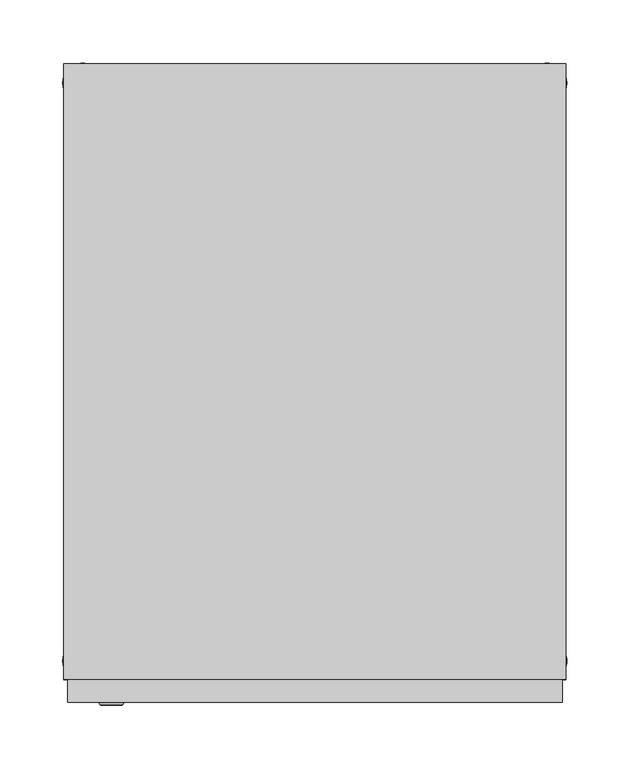
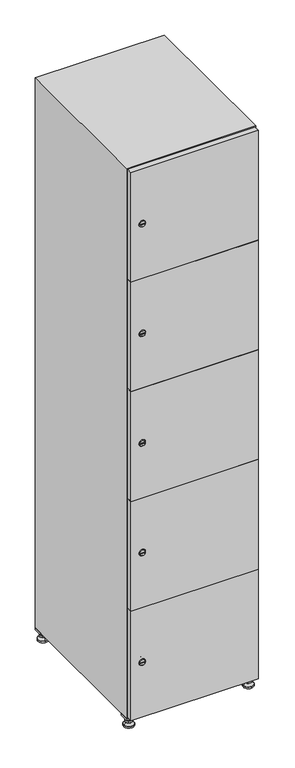
"""IFC4 building model written with IfcOpenShell, lengths in millimetres: furniture geometry."""

from ifc_helpers import new_model, si_unit, point, frame, frame_2d, origin, origin_with_axes, place, context, project, spatial, polyline, circle_curve, trimmed, segment, composite_curve, outline, extrude, faceted_brep, source, transform, mapped, element, save
from ifc_brep_helpers import plane_surface, revolved_surface, advanced_brep


def furniture_38e76239(model_context):
    return source(origin(), model_context, "Body", "SolidModel", [
        extrude(outline(polyline([(200.0, 245.0), (200.0, 215.0), (170.0, 215.0), (170.0, 245.0), (200.0, 245.0)]), holes=[polyline([(198.0, 243.0), (172.0, 243.0), (172.0, 217.0), (198.0, 217.0), (198.0, 243.0)])]), frame((0.0, 0.0, 28.5), z_axis=(0.0, 0.0, 1.0), x_axis=(1.0, 0.0, 0.0)), (0.0, 0.0, 1.0), 6.5),
        extrude(outline(polyline([(170.0, -245.0), (170.0, -215.0), (200.0, -215.0), (200.0, -245.0), (170.0, -245.0)]), holes=[polyline([(172.0, -243.0), (198.0, -243.0), (198.0, -217.0), (172.0, -217.0), (172.0, -243.0)])]), frame((0.0, 0.0, 28.5), z_axis=(0.0, 0.0, 1.0), x_axis=(1.0, 0.0, 0.0)), (0.0, 0.0, 1.0), 6.5),
        extrude(outline(polyline([(-170.0, 245.0), (-170.0, 215.0), (-200.0, 215.0), (-200.0, 245.0), (-170.0, 245.0)]), holes=[polyline([(-172.0, 243.0), (-198.0, 243.0), (-198.0, 217.0), (-172.0, 217.0), (-172.0, 243.0)])]), frame((0.0, 0.0, 28.5), z_axis=(0.0, 0.0, 1.0), x_axis=(1.0, 0.0, 0.0)), (0.0, 0.0, 1.0), 6.5),
        extrude(outline(polyline([(-170.0, -215.0), (-170.0, -245.0), (-200.0, -245.0), (-200.0, -215.0), (-170.0, -215.0)]), holes=[polyline([(-198.0, -243.0), (-172.0, -243.0), (-172.0, -217.0), (-198.0, -217.0), (-198.0, -243.0)])]), frame((0.0, 0.0, 28.5), z_axis=(0.0, 0.0, 1.0), x_axis=(1.0, 0.0, 0.0)), (0.0, 0.0, 1.0), 6.5),
        extrude(outline(composite_curve([segment(trimmed(circle_curve(frame_2d((-185.0, 230.0)), 5.0), [point((-180.0, 230.0))], [point((-190.0, 230.0))], False, "CARTESIAN"), True, "CONTINUOUS"), segment(trimmed(circle_curve(frame_2d((-185.0, 230.0)), 5.0), [point((-190.0, 230.0))], [point((-180.0, 230.0))], False, "CARTESIAN"), True, "CONTINUOUS")], self_intersect=False)), frame((0.0, 0.0, 19.6), z_axis=(0.0, 0.0, 1.0), x_axis=(1.0, 0.0, 0.0)), (0.0, 0.0, 1.0), 15.4),
        extrude(outline(composite_curve([segment(trimmed(circle_curve(frame_2d((-185.0, -230.0)), 5.0), [point((-180.0, -230.0))], [point((-190.0, -230.0))], False, "CARTESIAN"), True, "CONTINUOUS"), segment(trimmed(circle_curve(frame_2d((-185.0, -230.0)), 5.0), [point((-190.0, -230.0))], [point((-180.0, -230.0))], False, "CARTESIAN"), True, "CONTINUOUS")], self_intersect=False)), frame((0.0, 0.0, 19.6), z_axis=(0.0, 0.0, 1.0), x_axis=(1.0, 0.0, 0.0)), (0.0, 0.0, 1.0), 15.4),
        extrude(outline(composite_curve([segment(trimmed(circle_curve(frame_2d((185.0, 230.0)), 5.0), [point((190.0, 230.0))], [point((180.0, 230.0))], False, "CARTESIAN"), True, "CONTINUOUS"), segment(trimmed(circle_curve(frame_2d((185.0, 230.0)), 5.0), [point((180.0, 230.0))], [point((190.0, 230.0))], False, "CARTESIAN"), True, "CONTINUOUS")], self_intersect=False)), frame((0.0, 0.0, 19.6), z_axis=(0.0, 0.0, 1.0), x_axis=(1.0, 0.0, 0.0)), (0.0, 0.0, 1.0), 15.4),
        extrude(outline(polyline([(173.4529946, 230.0), (179.2264973, 240.0), (190.7735027, 240.0), (196.5470054, 230.0), (190.7735027, 220.0), (179.2264973, 220.0), (173.4529946, 230.0)])), frame((0.0, 0.0, 13.6), z_axis=(0.0, 0.0, 1.0), x_axis=(1.0, 0.0, 0.0)), (0.0, 0.0, 1.0), 6.0),
        extrude(outline(composite_curve([segment(trimmed(circle_curve(frame_2d((185.0, -230.0)), 5.0), [point((190.0, -230.0))], [point((180.0, -230.0))], False, "CARTESIAN"), True, "CONTINUOUS"), segment(trimmed(circle_curve(frame_2d((185.0, -230.0)), 5.0), [point((180.0, -230.0))], [point((190.0, -230.0))], False, "CARTESIAN"), True, "CONTINUOUS")], self_intersect=False)), frame((0.0, 0.0, 19.6), z_axis=(0.0, 0.0, 1.0), x_axis=(1.0, 0.0, 0.0)), (0.0, 0.0, 1.0), 15.4),
        extrude(outline(polyline([(173.4529946, -230.0), (179.2264973, -220.0), (190.7735027, -220.0), (196.5470054, -230.0), (190.7735027, -240.0), (179.2264973, -240.0), (173.4529946, -230.0)])), frame((0.0, 0.0, 13.6), z_axis=(0.0, 0.0, 1.0), x_axis=(1.0, 0.0, 0.0)), (0.0, 0.0, 1.0), 6.0),
        extrude(outline(composite_curve([segment(trimmed(circle_curve(frame_2d((185.0, 230.0)), 5.0), [point((190.0, 230.0))], [point((180.0, 230.0))], False, "CARTESIAN"), True, "CONTINUOUS"), segment(trimmed(circle_curve(frame_2d((185.0, 230.0)), 5.0), [point((180.0, 230.0))], [point((190.0, 230.0))], False, "CARTESIAN"), True, "CONTINUOUS")], self_intersect=False)), frame((0.0, 0.0, 12.1), z_axis=(0.0, 0.0, 1.0), x_axis=(1.0, 0.0, 0.0)), (0.0, 0.0, 1.0), 1.5),
        extrude(outline(composite_curve([segment(trimmed(circle_curve(frame_2d((185.0, -230.0)), 5.0), [point((190.0, -230.0))], [point((180.0, -230.0))], False, "CARTESIAN"), True, "CONTINUOUS"), segment(trimmed(circle_curve(frame_2d((185.0, -230.0)), 5.0), [point((180.0, -230.0))], [point((190.0, -230.0))], False, "CARTESIAN"), True, "CONTINUOUS")], self_intersect=False)), frame((0.0, 0.0, 12.1), z_axis=(0.0, 0.0, 1.0), x_axis=(1.0, 0.0, 0.0)), (0.0, 0.0, 1.0), 1.5),
        extrude(outline(polyline([(-196.5470054, 230.0), (-190.7735027, 240.0), (-179.2264973, 240.0), (-173.4529946, 230.0), (-179.2264973, 220.0), (-190.7735027, 220.0), (-196.5470054, 230.0)])), frame((0.0, 0.0, 13.6), z_axis=(0.0, 0.0, 1.0), x_axis=(1.0, 0.0, 0.0)), (0.0, 0.0, 1.0), 6.0),
        extrude(outline(polyline([(-196.5470054, -230.0), (-190.7735027, -220.0), (-179.2264973, -220.0), (-173.4529946, -230.0), (-179.2264973, -240.0), (-190.7735027, -240.0), (-196.5470054, -230.0)])), frame((0.0, 0.0, 13.6), z_axis=(0.0, 0.0, 1.0), x_axis=(1.0, 0.0, 0.0)), (0.0, 0.0, 1.0), 6.0),
        extrude(outline(composite_curve([segment(trimmed(circle_curve(frame_2d((-185.0, 230.0)), 5.0), [point((-185.0, 235.0))], [point((-185.0, 225.0))], False, "CARTESIAN"), True, "CONTINUOUS"), segment(trimmed(circle_curve(frame_2d((-185.0, 230.0)), 5.0), [point((-185.0, 225.0))], [point((-185.0, 235.0))], False, "CARTESIAN"), True, "CONTINUOUS")], self_intersect=False)), frame((0.0, 0.0, 12.1), z_axis=(0.0, 0.0, 1.0), x_axis=(1.0, 0.0, 0.0)), (0.0, 0.0, 1.0), 1.5),
        extrude(outline(composite_curve([segment(trimmed(circle_curve(frame_2d((-185.0, -230.0)), 5.0), [point((-180.0, -230.0))], [point((-190.0, -230.0))], False, "CARTESIAN"), True, "CONTINUOUS"), segment(trimmed(circle_curve(frame_2d((-185.0, -230.0)), 5.0), [point((-190.0, -230.0))], [point((-180.0, -230.0))], False, "CARTESIAN"), True, "CONTINUOUS")], self_intersect=False)), frame((0.0, 0.0, 12.1), z_axis=(0.0, 0.0, 1.0), x_axis=(1.0, 0.0, 0.0)), (0.0, 0.0, 1.0), 1.5),
        extrude(outline(composite_curve([segment(trimmed(circle_curve(frame_2d((185.0, 230.0)), 15.75), [point((200.75, 230.0))], [point((169.25, 230.0))], False, "CARTESIAN"), True, "CONTINUOUS"), segment(trimmed(circle_curve(frame_2d((185.0, 230.0)), 15.75), [point((169.25, 230.0))], [point((200.75, 230.0))], False, "CARTESIAN"), True, "CONTINUOUS")], self_intersect=False)), origin_with_axes(), (0.0, 0.0, 1.0), 5.1),
        extrude(outline(composite_curve([segment(trimmed(circle_curve(frame_2d((185.0, -230.0)), 15.75), [point((185.0, -214.25))], [point((185.0, -245.75))], False, "CARTESIAN"), True, "CONTINUOUS"), segment(trimmed(circle_curve(frame_2d((185.0, -230.0)), 15.75), [point((185.0, -245.75))], [point((185.0, -214.25))], False, "CARTESIAN"), True, "CONTINUOUS")], self_intersect=False)), origin_with_axes(), (0.0, 0.0, 1.0), 5.1),
        extrude(outline(composite_curve([segment(trimmed(circle_curve(frame_2d((-185.0, -230.0)), 15.75), [point((-169.25, -230.0))], [point((-200.75, -230.0))], False, "CARTESIAN"), True, "CONTINUOUS"), segment(trimmed(circle_curve(frame_2d((-185.0, -230.0)), 15.75), [point((-200.75, -230.0))], [point((-169.25, -230.0))], False, "CARTESIAN"), True, "CONTINUOUS")], self_intersect=False)), origin_with_axes(), (0.0, 0.0, 1.0), 5.1),
        extrude(outline(composite_curve([segment(trimmed(circle_curve(frame_2d((-185.0, 230.0)), 15.75), [point((-169.25, 230.0))], [point((-200.75, 230.0))], False, "CARTESIAN"), True, "CONTINUOUS"), segment(trimmed(circle_curve(frame_2d((-185.0, 230.0)), 15.75), [point((-200.75, 230.0))], [point((-169.25, 230.0))], False, "CARTESIAN"), True, "CONTINUOUS")], self_intersect=False)), origin_with_axes(), (0.0, 0.0, 1.0), 5.1),
        advanced_brep(
        [(-185.0, 239.5, 12.1), (-185.0, 220.5, 12.1), (-185.0, 214.25, 5.1), (-185.0, 245.75, 5.1)],
        [
            (0, 1, circle_curve(frame((-185.0, 230.0, 12.1), z_axis=(0.0, 0.0, -1.0), x_axis=(0.0, 1.0, 0.0)), 9.5)),
            (1, 2),
            (2, 3, circle_curve(frame((-185.0, 230.0, 5.1), z_axis=(0.0, 0.0, 1.0), x_axis=(0.0, 1.0, 0.0)), 15.75)),
            (3, 0),
            (1, 0, circle_curve(frame((-185.0, 230.0, 12.1), z_axis=(0.0, 0.0, -1.0), x_axis=(0.0, -1.0, 0.0)), 9.5)),
            (3, 2, circle_curve(frame((-185.0, 230.0, 5.1), z_axis=(0.0, 0.0, 1.0), x_axis=(0.0, -1.0, 0.0)), 15.75)),
        ],
        [
            revolved_surface(polyline([(-185.0, 220.5, 12.099999999999998), (-185.0, 214.25, 5.099999999999998)]), (-185.0, 230.0, 22.74), (0.0, 0.0, -1.0)),
            revolved_surface(polyline([(-185.0, 239.5, 12.099999999999998), (-185.0, 245.75, 5.099999999999998)]), (-185.0, 230.0, 22.74), (0.0, 0.0, -1.0)),
            plane_surface(frame((-185.0, 230.0, 5.1), z_axis=(0.0, 0.0, -1.0), x_axis=(1.0, 0.0, 0.0))),
            plane_surface(frame((-185.0, 230.0, 12.1), z_axis=(0.0, 0.0, 1.0), x_axis=(1.0, 0.0, 0.0))),
        ],
        [
            (0, [[1, 2, 3, 4]]),
            (1, [[5, -4, 6, -2]]),
            (2, [[-3, -6]]),
            (3, [[-5, -1]]),
        ],
    ),
        advanced_brep(
        [(185.0, 239.5, 12.1), (185.0, 220.5, 12.1), (185.0, 214.25, 5.1), (185.0, 245.75, 5.1)],
        [
            (0, 1, circle_curve(frame((185.0, 230.0, 12.1), z_axis=(0.0, 0.0, -1.0), x_axis=(0.0, 1.0, 0.0)), 9.5)),
            (1, 2),
            (2, 3, circle_curve(frame((185.0, 230.0, 5.1), z_axis=(0.0, 0.0, 1.0), x_axis=(0.0, 1.0, 0.0)), 15.75)),
            (3, 0),
            (1, 0, circle_curve(frame((185.0, 230.0, 12.1), z_axis=(0.0, 0.0, -1.0), x_axis=(0.0, -1.0, 0.0)), 9.5)),
            (3, 2, circle_curve(frame((185.0, 230.0, 5.1), z_axis=(0.0, 0.0, 1.0), x_axis=(0.0, -1.0, 0.0)), 15.75)),
        ],
        [
            revolved_surface(polyline([(185.0, 220.5, 12.099999999999998), (185.0, 214.25, 5.099999999999998)]), (185.0, 230.0, 22.74), (0.0, 0.0, -1.0)),
            revolved_surface(polyline([(185.0, 239.5, 12.099999999999998), (185.0, 245.75, 5.099999999999998)]), (185.0, 230.0, 22.74), (0.0, 0.0, -1.0)),
            plane_surface(frame((185.0, 230.0, 5.1), z_axis=(0.0, 0.0, -1.0), x_axis=(1.0, 0.0, 0.0))),
            plane_surface(frame((185.0, 230.0, 12.1), z_axis=(0.0, 0.0, 1.0), x_axis=(1.0, 0.0, 0.0))),
        ],
        [
            (0, [[1, 2, 3, 4]]),
            (1, [[5, -4, 6, -2]]),
            (2, [[-3, -6]]),
            (3, [[-5, -1]]),
        ],
    ),
        advanced_brep(
        [(200.75, -230.0, 5.1), (169.25, -230.0, 5.1), (175.5, -230.0, 12.1), (194.5, -230.0, 12.1)],
        [
            (0, 1, circle_curve(frame((185.0, -230.0, 5.1), z_axis=(0.0, 0.0, 1.0), x_axis=(1.0, 0.0, 0.0)), 15.75)),
            (1, 2),
            (2, 3, circle_curve(frame((185.0, -230.0, 12.1), z_axis=(0.0, 0.0, -1.0), x_axis=(1.0, 0.0, 0.0)), 9.5)),
            (3, 0),
            (1, 0, circle_curve(frame((185.0, -230.0, 5.1), z_axis=(0.0, 0.0, 1.0), x_axis=(-1.0, 0.0, 0.0)), 15.75)),
            (3, 2, circle_curve(frame((185.0, -230.0, 12.1), z_axis=(0.0, 0.0, -1.0), x_axis=(-1.0, 0.0, 0.0)), 9.5)),
        ],
        [
            revolved_surface(polyline([(194.5, -230.0, 12.099999999999998), (200.75, -230.0, 5.099999999999998)]), (185.0, -230.0, 22.74), (0.0, 0.0, -1.0)),
            revolved_surface(polyline([(175.5, -230.0, 12.099999999999998), (169.25, -230.0, 5.099999999999998)]), (185.0, -230.0, 22.74), (0.0, 0.0, -1.0)),
            plane_surface(frame((185.0, -230.0, 12.1), z_axis=(0.0, 0.0, 1.0), x_axis=(0.0, 1.0, 0.0))),
            plane_surface(frame((185.0, -230.0, 5.1), z_axis=(0.0, 0.0, -1.0), x_axis=(0.0, 1.0, 0.0))),
        ],
        [
            (0, [[1, 2, 3, 4]]),
            (1, [[5, -4, 6, -2]]),
            (2, [[-3, -6]]),
            (3, [[-5, -1]]),
        ],
    ),
        advanced_brep(
        [(-169.25, -230.0, 5.1), (-200.75, -230.0, 5.1), (-194.5, -230.0, 12.1), (-175.5, -230.0, 12.1)],
        [
            (0, 1, circle_curve(frame((-185.0, -230.0, 5.1), z_axis=(0.0, 0.0, 1.0), x_axis=(1.0, 0.0, 0.0)), 15.75)),
            (1, 2),
            (2, 3, circle_curve(frame((-185.0, -230.0, 12.1), z_axis=(0.0, 0.0, -1.0), x_axis=(1.0, 0.0, 0.0)), 9.5)),
            (3, 0),
            (1, 0, circle_curve(frame((-185.0, -230.0, 5.1), z_axis=(0.0, 0.0, 1.0), x_axis=(-1.0, 0.0, 0.0)), 15.75)),
            (3, 2, circle_curve(frame((-185.0, -230.0, 12.1), z_axis=(0.0, 0.0, -1.0), x_axis=(-1.0, 0.0, 0.0)), 9.5)),
        ],
        [
            revolved_surface(polyline([(-175.5, -230.0, 12.099999999999998), (-169.25, -230.0, 5.099999999999998)]), (-185.0, -230.0, 22.74), (0.0, 0.0, -1.0)),
            revolved_surface(polyline([(-194.5, -230.0, 12.099999999999998), (-200.75, -230.0, 5.099999999999998)]), (-185.0, -230.0, 22.74), (0.0, 0.0, -1.0)),
            plane_surface(frame((-185.0, -230.0, 12.1), z_axis=(0.0, 0.0, 1.0), x_axis=(0.0, 1.0, 0.0))),
            plane_surface(frame((-185.0, -230.0, 5.1), z_axis=(0.0, 0.0, -1.0), x_axis=(0.0, 1.0, 0.0))),
        ],
        [
            (0, [[1, 2, 3, 4]]),
            (1, [[5, -4, 6, -2]]),
            (2, [[-3, -6]]),
            (3, [[-5, -1]]),
        ],
    ),
        extrude(outline(composite_curve([segment(trimmed(circle_curve(frame_2d((217.4, -188.7989466)), 7.0), [point((224.4, -188.7989466))], [point((210.4, -188.7989466))], False, "CARTESIAN"), True, "CONTINUOUS"), segment(polyline([(210.4, -188.7989466), (210.4, -160.7989466)]), True, "CONTINUOUS"), segment(trimmed(circle_curve(frame_2d((217.4, -160.7989466)), 7.0), [point((210.4, -160.7989466))], [point((224.4, -160.7989466))], False, "CARTESIAN"), True, "CONTINUOUS"), segment(polyline([(224.4, -160.7989466), (224.4, -188.7989466)]), True, "CONTINUOUS")], self_intersect=False)), frame((0.0, -245.0, 0.0), z_axis=(0.0, 1.0, 0.0), x_axis=(0.0, 0.0, 1.0)), (0.0, 0.0, 1.0), 2.0),
        advanced_brep(
        [(-153.5, -265.2, 217.4), (-170.5, -265.2, 217.4), (-167.0, -265.2, 216.15), (-167.0, -265.2, 218.65), (-157.0, -265.2, 218.65), (-157.0, -265.2, 216.15), (-151.5, -263.0, 217.4), (-172.5, -263.0, 217.4), (-167.0, -263.0, 218.65), (-167.0, -263.0, 216.15), (-157.0, -263.0, 216.15), (-157.0, -263.0, 218.65)],
        [
            (0, 1, circle_curve(frame((-162.0, -265.2, 217.4), z_axis=(0.0, -1.0, 0.0), x_axis=(1.0, 0.0, 0.0)), 8.5)),
            (1, 0, circle_curve(frame((-162.0, -265.2, 217.4), z_axis=(0.0, -1.0, 0.0), x_axis=(-1.0, 0.0, 0.0)), 8.5)),
            (2, 3),
            (3, 4),
            (4, 5),
            (5, 2),
            (6, 7, circle_curve(frame((-162.0, -263.0, 217.4), z_axis=(0.0, 1.0, 0.0), x_axis=(-1.0, 0.0, 0.0)), 10.5)),
            (7, 6, circle_curve(frame((-162.0, -263.0, 217.4), z_axis=(0.0, 1.0, 0.0), x_axis=(1.0, 0.0, 0.0)), 10.5)),
            (8, 9),
            (9, 10),
            (10, 11),
            (11, 8),
            (0, 6),
            (7, 1),
            (8, 3),
            (2, 9),
            (11, 4),
            (10, 5),
        ],
        [
            plane_surface(frame((-162.0, -265.2, 217.4), z_axis=(0.0, -1.0, 0.0), x_axis=(0.0, 0.0, 1.0))),
            plane_surface(frame((-162.0, -263.0, 217.4), z_axis=(0.0, 1.0, 0.0), x_axis=(0.0, 0.0, 1.0))),
            revolved_surface(polyline([(-153.5, -265.2, 217.4), (-151.5, -263.0, 217.4)]), (-162.0, -274.55, 217.4), (0.0, 1.0, 0.0)),
            revolved_surface(polyline([(-170.5, -265.2, 217.4), (-172.5, -263.0, 217.4)]), (-162.0, -274.55, 217.4), (0.0, 1.0, 0.0)),
            plane_surface(frame((-167.0, -263.0, 216.15), z_axis=(1.0, 0.0, 0.0), x_axis=(0.0, -1.0, 0.0))),
            plane_surface(frame((-167.0, -263.0, 218.65), z_axis=(0.0, 0.0, -1.0), x_axis=(0.0, -1.0, 0.0))),
            plane_surface(frame((-157.0, -263.0, 218.65), z_axis=(-1.0, 0.0, 0.0), x_axis=(0.0, -1.0, 0.0))),
            plane_surface(frame((-157.0, -263.0, 216.15), z_axis=(0.0, 0.0, 1.0), x_axis=(0.0, -1.0, 0.0))),
        ],
        [
            (0, [[1, 2], [3, 4, 5, 6]]),
            (1, [[7, 8], [9, 10, 11, 12]]),
            (2, [[-1, 13, -8, 14]]),
            (3, [[-2, -14, -7, -13]]),
            (4, [[15, -3, 16, -9]]),
            (5, [[-15, -12, 17, -4]]),
            (6, [[-17, -11, 18, -5]]),
            (7, [[-16, -6, -18, -10]]),
        ],
    ),
        extrude(outline(composite_curve([segment(trimmed(circle_curve(frame_2d((576.2, -188.7989466)), 7.0), [point((583.2, -188.7989466))], [point((569.2, -188.7989466))], False, "CARTESIAN"), True, "CONTINUOUS"), segment(polyline([(569.2, -188.7989466), (569.2, -160.7989466)]), True, "CONTINUOUS"), segment(trimmed(circle_curve(frame_2d((576.2, -160.7989466)), 7.0), [point((569.2, -160.7989466))], [point((583.2, -160.7989466))], False, "CARTESIAN"), True, "CONTINUOUS"), segment(polyline([(583.2, -160.7989466), (583.2, -188.7989466)]), True, "CONTINUOUS")], self_intersect=False)), frame((0.0, -245.0, 0.0), z_axis=(0.0, 1.0, 0.0), x_axis=(0.0, 0.0, 1.0)), (0.0, 0.0, 1.0), 2.0),
        advanced_brep(
        [(-153.5, -265.2, 576.2), (-170.5, -265.2, 576.2), (-167.0, -265.2, 574.95), (-167.0, -265.2, 577.45), (-157.0, -265.2, 577.45), (-157.0, -265.2, 574.95), (-151.5, -263.0, 576.2), (-172.5, -263.0, 576.2), (-167.0, -263.0, 577.45), (-167.0, -263.0, 574.95), (-157.0, -263.0, 574.95), (-157.0, -263.0, 577.45)],
        [
            (0, 1, circle_curve(frame((-162.0, -265.2, 576.2), z_axis=(0.0, -1.0, 0.0), x_axis=(1.0, 0.0, 0.0)), 8.5)),
            (1, 0, circle_curve(frame((-162.0, -265.2, 576.2), z_axis=(0.0, -1.0, 0.0), x_axis=(-1.0, 0.0, 0.0)), 8.5)),
            (2, 3),
            (3, 4),
            (4, 5),
            (5, 2),
            (6, 7, circle_curve(frame((-162.0, -263.0, 576.2), z_axis=(0.0, 1.0, 0.0), x_axis=(-1.0, 0.0, 0.0)), 10.5)),
            (7, 6, circle_curve(frame((-162.0, -263.0, 576.2), z_axis=(0.0, 1.0, 0.0), x_axis=(1.0, 0.0, 0.0)), 10.5)),
            (8, 9),
            (9, 10),
            (10, 11),
            (11, 8),
            (0, 6),
            (7, 1),
            (8, 3),
            (2, 9),
            (11, 4),
            (10, 5),
        ],
        [
            plane_surface(frame((-162.0, -265.2, 576.2), z_axis=(0.0, -1.0, 0.0), x_axis=(0.0, 0.0, 1.0))),
            plane_surface(frame((-162.0, -263.0, 576.2), z_axis=(0.0, 1.0, 0.0), x_axis=(0.0, 0.0, 1.0))),
            revolved_surface(polyline([(-153.5, -265.2, 576.2), (-151.5, -263.0, 576.2)]), (-162.0, -274.55, 576.2), (0.0, 1.0, 0.0)),
            revolved_surface(polyline([(-170.5, -265.2, 576.2), (-172.5, -263.0, 576.2)]), (-162.0, -274.55, 576.2), (0.0, 1.0, 0.0)),
            plane_surface(frame((-167.0, -263.0, 574.95), z_axis=(1.0, 0.0, 0.0), x_axis=(0.0, -1.0, 0.0))),
            plane_surface(frame((-167.0, -263.0, 577.45), z_axis=(0.0, 0.0, -1.0), x_axis=(0.0, -1.0, 0.0))),
            plane_surface(frame((-157.0, -263.0, 577.45), z_axis=(-1.0, 0.0, 0.0), x_axis=(0.0, -1.0, 0.0))),
            plane_surface(frame((-157.0, -263.0, 574.95), z_axis=(0.0, 0.0, 1.0), x_axis=(0.0, -1.0, 0.0))),
        ],
        [
            (0, [[1, 2], [3, 4, 5, 6]]),
            (1, [[7, 8], [9, 10, 11, 12]]),
            (2, [[-1, 13, -8, 14]]),
            (3, [[-2, -14, -7, -13]]),
            (4, [[15, -3, 16, -9]]),
            (5, [[-15, -12, 17, -4]]),
            (6, [[-17, -11, 18, -5]]),
            (7, [[-16, -6, -18, -10]]),
        ],
    ),
        extrude(outline(composite_curve([segment(trimmed(circle_curve(frame_2d((935.0, -188.7989466)), 7.0), [point((942.0, -188.7989466))], [point((928.0, -188.7989466))], False, "CARTESIAN"), True, "CONTINUOUS"), segment(polyline([(928.0, -188.7989466), (928.0, -160.7989466)]), True, "CONTINUOUS"), segment(trimmed(circle_curve(frame_2d((935.0, -160.7989466)), 7.0), [point((928.0, -160.7989466))], [point((942.0, -160.7989466))], False, "CARTESIAN"), True, "CONTINUOUS"), segment(polyline([(942.0, -160.7989466), (942.0, -188.7989466)]), True, "CONTINUOUS")], self_intersect=False)), frame((0.0, -245.0, 0.0), z_axis=(0.0, 1.0, 0.0), x_axis=(0.0, 0.0, 1.0)), (0.0, 0.0, 1.0), 2.0),
        advanced_brep(
        [(-153.5, -265.2, 935.0), (-170.5, -265.2, 935.0), (-167.0, -265.2, 933.75), (-167.0, -265.2, 936.25), (-157.0, -265.2, 936.25), (-157.0, -265.2, 933.75), (-151.5, -263.0, 935.0), (-172.5, -263.0, 935.0), (-167.0, -263.0, 936.25), (-167.0, -263.0, 933.75), (-157.0, -263.0, 933.75), (-157.0, -263.0, 936.25)],
        [
            (0, 1, circle_curve(frame((-162.0, -265.2, 935.0), z_axis=(0.0, -1.0, 0.0), x_axis=(1.0, 0.0, 0.0)), 8.5)),
            (1, 0, circle_curve(frame((-162.0, -265.2, 935.0), z_axis=(0.0, -1.0, 0.0), x_axis=(-1.0, 0.0, 0.0)), 8.5)),
            (2, 3),
            (3, 4),
            (4, 5),
            (5, 2),
            (6, 7, circle_curve(frame((-162.0, -263.0, 935.0), z_axis=(0.0, 1.0, 0.0), x_axis=(-1.0, 0.0, 0.0)), 10.5)),
            (7, 6, circle_curve(frame((-162.0, -263.0, 935.0), z_axis=(0.0, 1.0, 0.0), x_axis=(1.0, 0.0, 0.0)), 10.5)),
            (8, 9),
            (9, 10),
            (10, 11),
            (11, 8),
            (0, 6),
            (7, 1),
            (8, 3),
            (2, 9),
            (11, 4),
            (10, 5),
        ],
        [
            plane_surface(frame((-162.0, -265.2, 935.0), z_axis=(0.0, -1.0, 0.0), x_axis=(0.0, 0.0, 1.0))),
            plane_surface(frame((-162.0, -263.0, 935.0), z_axis=(0.0, 1.0, 0.0), x_axis=(0.0, 0.0, 1.0))),
            revolved_surface(polyline([(-153.5, -265.2, 935.0), (-151.5, -263.0, 935.0)]), (-162.0, -274.55, 935.0), (0.0, 1.0, 0.0)),
            revolved_surface(polyline([(-170.5, -265.2, 935.0), (-172.5, -263.0, 935.0)]), (-162.0, -274.55, 935.0), (0.0, 1.0, 0.0)),
            plane_surface(frame((-167.0, -263.0, 933.75), z_axis=(1.0, 0.0, 0.0), x_axis=(0.0, -1.0, 0.0))),
            plane_surface(frame((-167.0, -263.0, 936.25), z_axis=(0.0, 0.0, -1.0), x_axis=(0.0, -1.0, 0.0))),
            plane_surface(frame((-157.0, -263.0, 936.25), z_axis=(-1.0, 0.0, 0.0), x_axis=(0.0, -1.0, 0.0))),
            plane_surface(frame((-157.0, -263.0, 933.75), z_axis=(0.0, 0.0, 1.0), x_axis=(0.0, -1.0, 0.0))),
        ],
        [
            (0, [[1, 2], [3, 4, 5, 6]]),
            (1, [[7, 8], [9, 10, 11, 12]]),
            (2, [[-1, 13, -8, 14]]),
            (3, [[-2, -14, -7, -13]]),
            (4, [[15, -3, 16, -9]]),
            (5, [[-15, -12, 17, -4]]),
            (6, [[-17, -11, 18, -5]]),
            (7, [[-16, -6, -18, -10]]),
        ],
    ),
        extrude(outline(composite_curve([segment(trimmed(circle_curve(frame_2d((1293.8, -188.7989466)), 7.0), [point((1300.8, -188.7989466))], [point((1286.8, -188.7989466))], False, "CARTESIAN"), True, "CONTINUOUS"), segment(polyline([(1286.8, -188.7989466), (1286.8, -160.7989466)]), True, "CONTINUOUS"), segment(trimmed(circle_curve(frame_2d((1293.8, -160.7989466)), 7.0), [point((1286.8, -160.7989466))], [point((1300.8, -160.7989466))], False, "CARTESIAN"), True, "CONTINUOUS"), segment(polyline([(1300.8, -160.7989466), (1300.8, -188.7989466)]), True, "CONTINUOUS")], self_intersect=False)), frame((0.0, -245.0, 0.0), z_axis=(0.0, 1.0, 0.0), x_axis=(0.0, 0.0, 1.0)), (0.0, 0.0, 1.0), 2.0),
        advanced_brep(
        [(-153.5, -265.2, 1293.8), (-170.5, -265.2, 1293.8), (-167.0, -265.2, 1292.55), (-167.0, -265.2, 1295.05), (-157.0, -265.2, 1295.05), (-157.0, -265.2, 1292.55), (-151.5, -263.0, 1293.8), (-172.5, -263.0, 1293.8), (-167.0, -263.0, 1295.05), (-167.0, -263.0, 1292.55), (-157.0, -263.0, 1292.55), (-157.0, -263.0, 1295.05)],
        [
            (0, 1, circle_curve(frame((-162.0, -265.2, 1293.8), z_axis=(0.0, -1.0, 0.0), x_axis=(1.0, 0.0, 0.0)), 8.5)),
            (1, 0, circle_curve(frame((-162.0, -265.2, 1293.8), z_axis=(0.0, -1.0, 0.0), x_axis=(-1.0, 0.0, 0.0)), 8.5)),
            (2, 3),
            (3, 4),
            (4, 5),
            (5, 2),
            (6, 7, circle_curve(frame((-162.0, -263.0, 1293.8), z_axis=(0.0, 1.0, 0.0), x_axis=(-1.0, 0.0, 0.0)), 10.5)),
            (7, 6, circle_curve(frame((-162.0, -263.0, 1293.8), z_axis=(0.0, 1.0, 0.0), x_axis=(1.0, 0.0, 0.0)), 10.5)),
            (8, 9),
            (9, 10),
            (10, 11),
            (11, 8),
            (0, 6),
            (7, 1),
            (8, 3),
            (2, 9),
            (11, 4),
            (10, 5),
        ],
        [
            plane_surface(frame((-162.0, -265.2, 1293.8), z_axis=(0.0, -1.0, 0.0), x_axis=(0.0, 0.0, 1.0))),
            plane_surface(frame((-162.0, -263.0, 1293.8), z_axis=(0.0, 1.0, 0.0), x_axis=(0.0, 0.0, 1.0))),
            revolved_surface(polyline([(-153.5, -265.2, 1293.8), (-151.5, -263.0, 1293.8)]), (-162.0, -274.55, 1293.8), (0.0, 1.0, 0.0)),
            revolved_surface(polyline([(-170.5, -265.2, 1293.8), (-172.5, -263.0, 1293.8)]), (-162.0, -274.55, 1293.8), (0.0, 1.0, 0.0)),
            plane_surface(frame((-167.0, -263.0, 1292.55), z_axis=(1.0, 0.0, 0.0), x_axis=(0.0, -1.0, 0.0))),
            plane_surface(frame((-167.0, -263.0, 1295.05), z_axis=(0.0, 0.0, -1.0), x_axis=(0.0, -1.0, 0.0))),
            plane_surface(frame((-157.0, -263.0, 1295.05), z_axis=(-1.0, 0.0, 0.0), x_axis=(0.0, -1.0, 0.0))),
            plane_surface(frame((-157.0, -263.0, 1292.55), z_axis=(0.0, 0.0, 1.0), x_axis=(0.0, -1.0, 0.0))),
        ],
        [
            (0, [[1, 2], [3, 4, 5, 6]]),
            (1, [[7, 8], [9, 10, 11, 12]]),
            (2, [[-1, 13, -8, 14]]),
            (3, [[-2, -14, -7, -13]]),
            (4, [[15, -3, 16, -9]]),
            (5, [[-15, -12, 17, -4]]),
            (6, [[-17, -11, 18, -5]]),
            (7, [[-16, -6, -18, -10]]),
        ],
    ),
        extrude(outline(composite_curve([segment(trimmed(circle_curve(frame_2d((1652.6, -188.7989466)), 7.0), [point((1659.6, -188.7989466))], [point((1645.6, -188.7989466))], False, "CARTESIAN"), True, "CONTINUOUS"), segment(polyline([(1645.6, -188.7989466), (1645.6, -160.7989466)]), True, "CONTINUOUS"), segment(trimmed(circle_curve(frame_2d((1652.6, -160.7989466)), 7.0), [point((1645.6, -160.7989466))], [point((1659.6, -160.7989466))], False, "CARTESIAN"), True, "CONTINUOUS"), segment(polyline([(1659.6, -160.7989466), (1659.6, -188.7989466)]), True, "CONTINUOUS")], self_intersect=False)), frame((0.0, -245.0, 0.0), z_axis=(0.0, 1.0, 0.0), x_axis=(0.0, 0.0, 1.0)), (0.0, 0.0, 1.0), 2.0),
        advanced_brep(
        [(-153.5, -265.2, 1652.6), (-170.5, -265.2, 1652.6), (-167.0, -265.2, 1651.35), (-167.0, -265.2, 1653.85), (-157.0, -265.2, 1653.85), (-157.0, -265.2, 1651.35), (-151.5, -263.0, 1652.6), (-172.5, -263.0, 1652.6), (-167.0, -263.0, 1653.85), (-167.0, -263.0, 1651.35), (-157.0, -263.0, 1651.35), (-157.0, -263.0, 1653.85)],
        [
            (0, 1, circle_curve(frame((-162.0, -265.2, 1652.6), z_axis=(0.0, -1.0, 0.0), x_axis=(1.0, 0.0, 0.0)), 8.5)),
            (1, 0, circle_curve(frame((-162.0, -265.2, 1652.6), z_axis=(0.0, -1.0, 0.0), x_axis=(-1.0, 0.0, 0.0)), 8.5)),
            (2, 3),
            (3, 4),
            (4, 5),
            (5, 2),
            (6, 7, circle_curve(frame((-162.0, -263.0, 1652.6), z_axis=(0.0, 1.0, 0.0), x_axis=(-1.0, 0.0, 0.0)), 10.5)),
            (7, 6, circle_curve(frame((-162.0, -263.0, 1652.6), z_axis=(0.0, 1.0, 0.0), x_axis=(1.0, 0.0, 0.0)), 10.5)),
            (8, 9),
            (9, 10),
            (10, 11),
            (11, 8),
            (0, 6),
            (7, 1),
            (8, 3),
            (2, 9),
            (11, 4),
            (10, 5),
        ],
        [
            plane_surface(frame((-162.0, -265.2, 1652.6), z_axis=(0.0, -1.0, 0.0), x_axis=(0.0, 0.0, 1.0))),
            plane_surface(frame((-162.0, -263.0, 1652.6), z_axis=(0.0, 1.0, 0.0), x_axis=(0.0, 0.0, 1.0))),
            revolved_surface(polyline([(-153.5, -265.2, 1652.6), (-151.5, -263.0, 1652.6)]), (-162.0, -274.55, 1652.6), (0.0, 1.0, 0.0)),
            revolved_surface(polyline([(-170.5, -265.2, 1652.6), (-172.5, -263.0, 1652.6)]), (-162.0, -274.55, 1652.6), (0.0, 1.0, 0.0)),
            plane_surface(frame((-167.0, -263.0, 1651.35), z_axis=(1.0, 0.0, 0.0), x_axis=(0.0, -1.0, 0.0))),
            plane_surface(frame((-167.0, -263.0, 1653.85), z_axis=(0.0, 0.0, -1.0), x_axis=(0.0, -1.0, 0.0))),
            plane_surface(frame((-157.0, -263.0, 1653.85), z_axis=(-1.0, 0.0, 0.0), x_axis=(0.0, -1.0, 0.0))),
            plane_surface(frame((-157.0, -263.0, 1651.35), z_axis=(0.0, 0.0, 1.0), x_axis=(0.0, -1.0, 0.0))),
        ],
        [
            (0, [[1, 2], [3, 4, 5, 6]]),
            (1, [[7, 8], [9, 10, 11, 12]]),
            (2, [[-1, 13, -8, 14]]),
            (3, [[-2, -14, -7, -13]]),
            (4, [[15, -3, 16, -9]]),
            (5, [[-15, -12, 17, -4]]),
            (6, [[-17, -11, 18, -5]]),
            (7, [[-16, -6, -18, -10]]),
        ],
    ),
        extrude(outline(polyline([(197.0, -245.0), (197.0, -263.0), (-197.0, -263.0), (-197.0, -245.0), (197.0, -245.0)])), frame((0.0, 0.0, 755.1), z_axis=(0.0, 0.0, 1.0), x_axis=(1.0, 0.0, 0.0)), (0.0, 0.0, 1.0), 359.8),
        extrude(outline(polyline([(197.0, -245.0), (197.0, -263.0), (-197.0, -263.0), (-197.0, -245.0), (197.0, -245.0)])), frame((0.0, 0.0, 396.3), z_axis=(0.0, 0.0, 1.0), x_axis=(1.0, 0.0, 0.0)), (0.0, 0.0, 1.0), 359.8),
        extrude(outline(polyline([(197.0, -245.0), (197.0, -263.0), (-197.0, -263.0), (-197.0, -245.0), (197.0, -245.0)])), frame((0.0, 0.0, 1113.9), z_axis=(0.0, 0.0, 1.0), x_axis=(1.0, 0.0, 0.0)), (0.0, 0.0, 1.0), 358.8),
        extrude(outline(polyline([(-197.0, -263.0), (-197.0, -245.0), (197.0, -245.0), (197.0, -263.0), (-197.0, -263.0)])), frame((0.0, 0.0, 1473.7), z_axis=(0.0, 0.0, 1.0), x_axis=(1.0, 0.0, 0.0)), (0.0, 0.0, 1.0), 358.3),
        extrude(outline(polyline([(197.0, -245.0), (197.0, -263.0), (-197.0, -263.0), (-197.0, -245.0), (197.0, -245.0)])), frame((0.0, 0.0, 38.0), z_axis=(0.0, 0.0, 1.0), x_axis=(1.0, 0.0, 0.0)), (0.0, 0.0, 1.0), 359.3),
        extrude(outline(polyline([(179.6, 242.0), (179.6, -227.0), (-179.6, -227.0), (-179.6, 242.0), (179.6, 242.0)])), frame((0.0, 0.0, 1446.68), z_axis=(0.0, 0.0, 1.0), x_axis=(1.0, 0.0, 0.0)), (0.0, 0.0, 1.0), 20.4),
        extrude(outline(polyline([(179.6, 242.0), (179.6, -227.0), (-179.6, -227.0), (-179.6, 242.0), (179.6, 242.0)])), frame((0.0, 0.0, 1098.76), z_axis=(0.0, 0.0, 1.0), x_axis=(1.0, 0.0, 0.0)), (0.0, 0.0, 1.0), 20.4),
        extrude(outline(polyline([(179.6, 242.0), (179.6, -227.0), (-179.6, -227.0), (-179.6, 242.0), (179.6, 242.0)])), frame((0.0, 0.0, 750.84), z_axis=(0.0, 0.0, 1.0), x_axis=(1.0, 0.0, 0.0)), (0.0, 0.0, 1.0), 20.4),
        extrude(outline(polyline([(-179.6, 242.0), (179.6, 242.0), (179.6, -227.0), (-179.6, -227.0), (-179.6, 242.0)])), frame((0.0, 0.0, 402.92), z_axis=(0.0, 0.0, 1.0), x_axis=(1.0, 0.0, 0.0)), (0.0, 0.0, 1.0), 20.4),
        faceted_brep([(200.0, -245.0, 35.0), (200.0, -245.0, 1835.0), (-200.0, -245.0, 1835.0), (-200.0, -245.0, 35.0), (179.6, -245.0, 1804.8), (179.6, -245.0, 65.2), (-179.6, -245.0, 65.2), (-179.6, -245.0, 1804.8), (200.0, 245.0, 35.0), (-200.0, 245.0, 35.0), (200.0, 245.0, 1835.0), (-200.0, 245.0, 1835.0), (179.6, 242.0, 1804.8), (179.6, 242.0, 65.2), (-200.0, 245.0, 1804.8), (-179.6, 242.0, 1804.8), (-179.6, 242.0, 65.2)], [[[0, 1, 2, 3], [4, 5, 6, 7]], [[8, 0, 3, 9]], [[1, 0, 8, 10]], [[1, 10, 11, 2]], [[4, 12, 13, 5]], [[9, 3, 2, 11, 14]], [[10, 8, 9, 14, 11]], [[12, 15, 16, 13]], [[15, 7, 6, 16]], [[4, 7, 15, 12]], [[6, 5, 13, 16]]]),
    ])


if __name__ == "__main__":
    model = new_model("IFC4")
    model_context = context("Model", 3, world=origin())
    ifc_project = project(units=[si_unit("LENGTHUNIT", "METRE", prefix="MILLI")], contexts=[model_context])
    site = spatial("IfcSite", under=ifc_project)
    building = spatial("IfcBuilding", under=site)
    placement = place(None, origin())
    furniture_shape = furniture_38e76239(model_context)
    element("IfcFurniture", 1, at=placement, inside=building, context=model_context, shape_type="MappedRepresentation", body=[
        mapped(furniture_shape, transform((0.0, 0.0, 0.0), x_axis=(1.0, 0.0, 0.0), y_axis=(0.0, 1.0, 0.0), z_axis=(0.0, 0.0, 1.0))),
    ])
    save(model, "model.ifc")
